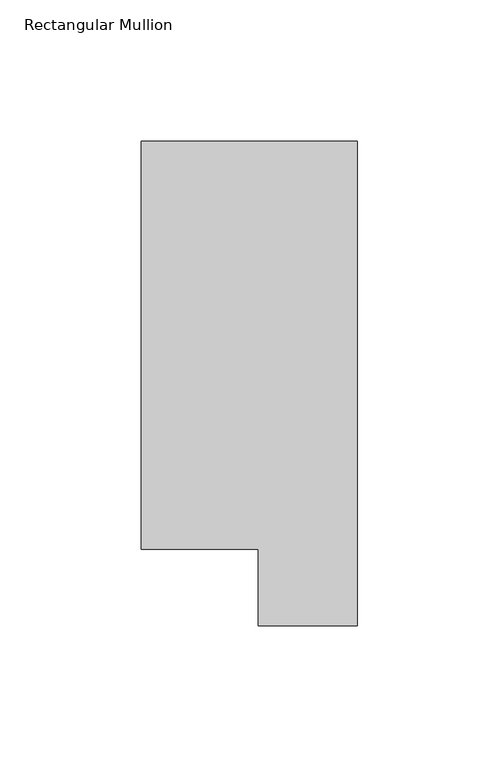
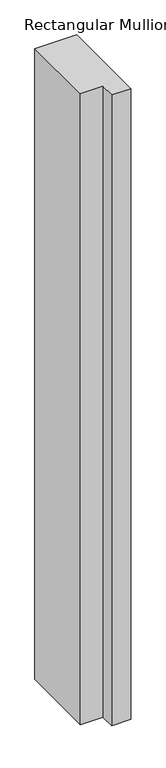
"""IFC4 building model written with IfcOpenShell, lengths in millimetres: member geometry, Rectangular Mullion."""

from ifc_helpers import new_model, si_unit, frame, origin, place, context, project, spatial, polyline, outline, extrude, source, transform, mapped, element, save


def rectangular_mullion_f4eb64f7(model_context):
    return source(origin(), model_context, "Body", "SweptSolid", [
        extrude(outline(polyline([(0.0, 190.7881313), (0.0, 19.5667312), (-34.9123, 19.5667312), (-34.9123, 46.7447302), (-76.2, 46.7447302), (-76.2, 190.7881313), (0.0, 190.7881313)])), frame((0.0, 0.0, -1219.2), z_axis=(0.0, 0.0, 1.0), x_axis=(1.0, 0.0, 0.0)), (0.0, 0.0, 1.0), 1219.2),
    ])


if __name__ == "__main__":
    model = new_model("IFC4")
    model_context = context("Model", 3, world=origin())
    ifc_project = project(units=[si_unit("LENGTHUNIT", "METRE", prefix="MILLI")], contexts=[model_context])
    site = spatial("IfcSite", under=ifc_project)
    building = spatial("IfcBuilding", under=site)
    placement = place(None, origin())
    rectangular_mullion_shape = rectangular_mullion_f4eb64f7(model_context)
    element("IfcMember", 1, ObjectType="Rectangular Mullion", at=placement, inside=building, context=model_context, shape_type="MappedRepresentation", body=[
        mapped(rectangular_mullion_shape, transform((0.0, 0.0, 0.0), x_axis=(1.0, 0.0, 0.0), y_axis=(0.0, 1.0, 0.0), z_axis=(0.0, 0.0, 1.0))),
    ])
    save(model, "model.ifc")
